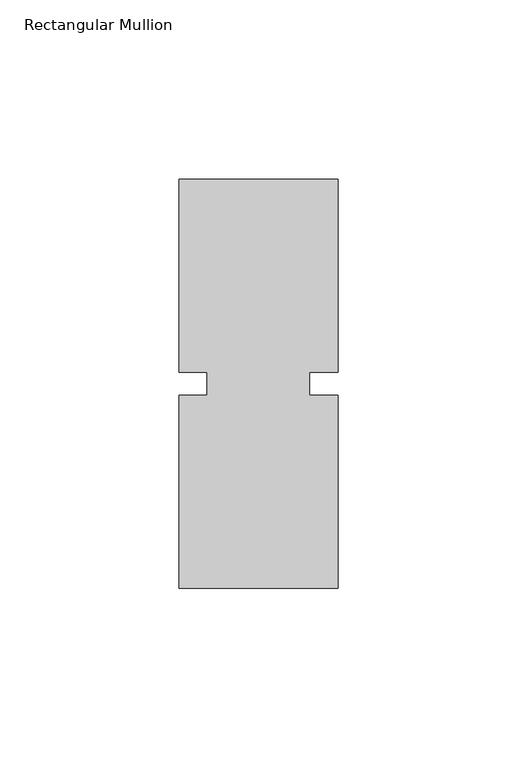
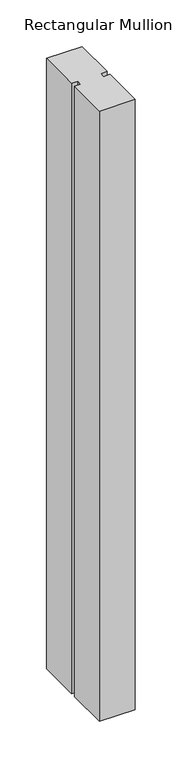
"""IFC4 building model written with IfcOpenShell, lengths in millimetres: member geometry, Rectangular Mullion."""

from ifc_helpers import new_model, si_unit, frame, origin, place, context, project, spatial, polyline, outline, extrude, source, transform, mapped, element, save


def rectangular_mullion_ec09a99c(model_context):
    return source(origin(), model_context, "Body", "SweptSolid", [
        extrude(outline(polyline([(-22.2250071, -3.175), (-14.2875071, -3.175), (-14.2875071, 3.175), (-22.2250071, 3.175), (-22.2250071, 57.15), (22.2250071, 57.15), (22.2250071, 3.175), (14.2875071, 3.175), (14.2875071, -3.175), (22.2250071, -3.175), (22.2250071, -57.15), (-22.2250071, -57.15), (-22.2250071, -3.175)])), frame((0.0, 0.0, -800.89375), z_axis=(0.0, 0.0, 1.0), x_axis=(1.0, 0.0, 0.0)), (0.0, 0.0, 1.0), 800.89375),
    ])


if __name__ == "__main__":
    model = new_model("IFC4")
    model_context = context("Model", 3, world=origin())
    ifc_project = project(units=[si_unit("LENGTHUNIT", "METRE", prefix="MILLI")], contexts=[model_context])
    site = spatial("IfcSite", under=ifc_project)
    building = spatial("IfcBuilding", under=site)
    placement = place(None, origin())
    rectangular_mullion_shape = rectangular_mullion_ec09a99c(model_context)
    element("IfcMember", 1, ObjectType="Rectangular Mullion", at=placement, inside=building, context=model_context, shape_type="MappedRepresentation", body=[
        mapped(rectangular_mullion_shape, transform((0.0, 0.0, 0.0), x_axis=(1.0, 0.0, 0.0), y_axis=(0.0, 1.0, 0.0), z_axis=(0.0, 0.0, 1.0))),
    ])
    save(model, "model.ifc")
